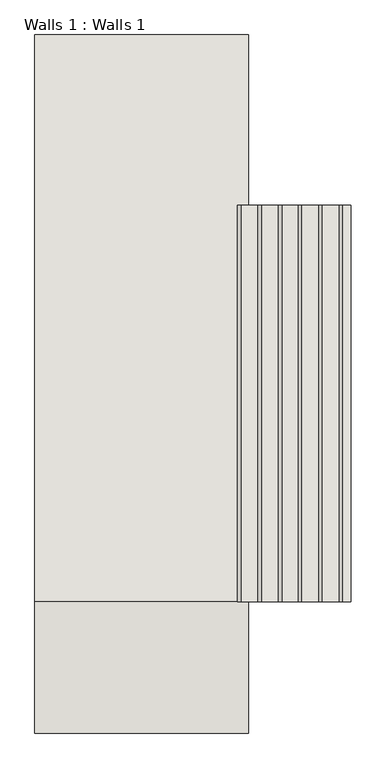
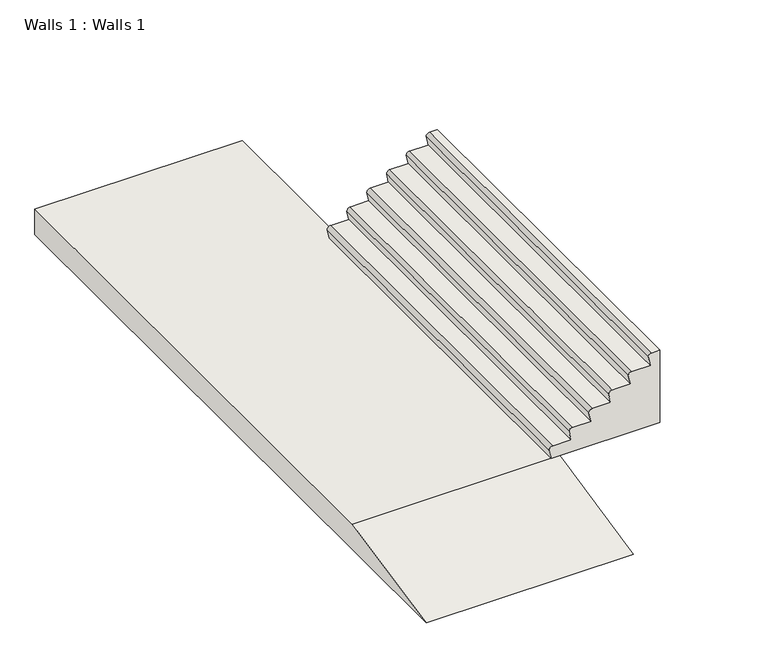
"""IFC4 building model written with IfcOpenShell, lengths in millimetres: wall geometry, Walls 1 : Walls 1."""

import ifcopenshell
import ifcopenshell.guid

model = None  # the IFC model being written
_history = None  # IfcOwnerHistory: only IFC2X3 demands one
_inside = {}  # id of a spatial element -> (the spatial element, [elements in it])
_under = {}  # id of a project, library or spatial element -> (it, [spatial elements below it])
_declared = {}  # id of a project -> (the project, [libraries it declares])
_typed = {}  # id of a type object -> (the type object, [elements of that type])
_made_of = {}  # id of a material, layer set ... -> (it, [elements and type objects made of it])


def new_model(schema):
    """Start an empty IFC model of exactly this schema.

    Asked for "IFC4X3", IfcOpenShell would pick the latest addendum, in which some entities
    have other attributes; the version numbers below select the first issue.
    IFC2X3 requires an IfcOwnerHistory on every rooted entity: one is made here for all.
    """
    global model, _history
    if schema == "IFC4X3":
        model = ifcopenshell.file(schema_version=(4, 3, 0, 0))
    else:
        model = ifcopenshell.file(schema=schema)
    _inside.clear()
    _under.clear()
    _declared.clear()
    _typed.clear()
    _made_of.clear()
    _history = None
    if model.schema == "IFC2X3":
        org = make("IfcOrganization", Name="unknown")
        user = make(
            "IfcPersonAndOrganization",
            ThePerson=make("IfcPerson", FamilyName="unknown"),
            TheOrganization=org,
        )
        app = make(
            "IfcApplication",
            ApplicationDeveloper=org,
            Version="unknown",
            ApplicationFullName="unknown",
            ApplicationIdentifier="unknown",
        )
        _history = make(
            "IfcOwnerHistory",
            OwningUser=user,
            OwningApplication=app,
            ChangeAction="ADDED",
            CreationDate=0,
        )
    return model


def make(cls, **values):
    """One entity of the class cls with the attributes given. An attribute that is None is left unset."""
    return model.create_entity(
        cls, **{name: value for name, value in values.items() if value is not None}
    )


def rooted(cls, **values):
    """An entity with a GlobalId (a new one), such as an element, a storey or a relation."""
    return make(cls, GlobalId=ifcopenshell.guid.new(), OwnerHistory=_history, **values)


def si_unit(unit_type, name, prefix=None):
    """IfcSIUnit, for example si_unit("LENGTHUNIT", "METRE", prefix="MILLI")."""
    return make("IfcSIUnit", UnitType=unit_type, Prefix=prefix, Name=name)


def assignment(units):
    """IfcUnitAssignment: the units of a project."""
    return None if units is None else make("IfcUnitAssignment", Units=units)


def point(xyz):
    """IfcCartesianPoint."""
    return None if xyz is None else make("IfcCartesianPoint", Coordinates=xyz)


def direction(xyz):
    """IfcDirection."""
    return None if xyz is None else make("IfcDirection", DirectionRatios=xyz)


def frame(location, z_axis=None, x_axis=None):
    """IfcAxis2Placement3D, a coordinate frame: its origin and axes. An axis left out is left unset."""
    return make(
        "IfcAxis2Placement3D",
        Location=point(location),
        Axis=direction(z_axis),
        RefDirection=direction(x_axis),
    )


def origin():
    """The frame at (0, 0, 0) with its axes left unset."""
    return frame((0.0, 0.0, 0.0))


def place(relative_to, where):
    """IfcLocalPlacement: puts the frame where relative to a parent placement (None: the world)."""
    return make(
        "IfcLocalPlacement", PlacementRelTo=relative_to, RelativePlacement=where
    )


def context(
    kind, dimensions, precision=None, world=None, true_north=None, identifier=None
):
    """IfcGeometricRepresentationContext, for example the 3D "Model" context."""
    return make(
        "IfcGeometricRepresentationContext",
        ContextIdentifier=identifier,
        ContextType=kind,
        CoordinateSpaceDimension=dimensions,
        Precision=precision,
        WorldCoordinateSystem=world,
        TrueNorth=true_north,
    )


def project(units=None, contexts=None):
    """IfcProject with its units and contexts."""
    return rooted(
        "IfcProject",
        Name="project",
        RepresentationContexts=contexts,
        UnitsInContext=assignment(units),
    )


def spatial(cls, under=None, at=None, **own):
    """A site, building, storey or space (cls), placed at a placement, below another one or the project."""
    s = rooted(cls, ObjectPlacement=at, **own)
    if under is not None:
        _under.setdefault(under.id(), (under, []))[1].append(s)
    return s


def polyline(points):
    """IfcPolyline through the points."""
    return make("IfcPolyline", Points=[point(p) for p in points])


def circle_curve(where, radius):
    """IfcCircle in the frame where."""
    return make("IfcCircle", Position=where, Radius=radius)


def outline(outer, holes=None, kind="AREA"):
    """IfcArbitraryClosedProfileDef: a profile drawn as a closed curve; with holes, ...WithVoids."""
    if holes is None:
        return make("IfcArbitraryClosedProfileDef", ProfileType=kind, OuterCurve=outer)
    return make(
        "IfcArbitraryProfileDefWithVoids",
        ProfileType=kind,
        OuterCurve=outer,
        InnerCurves=holes,
    )


def extrude(swept, where, along, depth):
    """IfcExtrudedAreaSolid: the profile swept, set in the frame where, extruded along a direction by depth."""
    return make(
        "IfcExtrudedAreaSolid",
        SweptArea=swept,
        Position=where,
        ExtrudedDirection=direction(along),
        Depth=depth,
    )


def shape(context_of_items, identifier, shape_type, items):
    """IfcShapeRepresentation: the items that make up one representation, for example the "Body"."""
    return make(
        "IfcShapeRepresentation",
        ContextOfItems=context_of_items,
        RepresentationIdentifier=identifier,
        RepresentationType=shape_type,
        Items=items,
    )


def source(mapping_origin, context_of_items, identifier, shape_type, items):
    """IfcRepresentationMap: a shape defined once, which mapped items show again and again."""
    return make(
        "IfcRepresentationMap",
        MappingOrigin=mapping_origin,
        MappedRepresentation=shape(context_of_items, identifier, shape_type, items),
    )


def transform(
    local_origin,
    x_axis=None,
    y_axis=None,
    z_axis=None,
    scale=None,
    scale2=None,
    scale3=None,
    uniform=True,
):
    """IfcCartesianTransformationOperator3D, or its non-uniform kind. x_axis, y_axis, z_axis: its Axis1, 2, 3."""
    if uniform:
        return make(
            "IfcCartesianTransformationOperator3D",
            Axis1=direction(x_axis),
            Axis2=direction(y_axis),
            LocalOrigin=point(local_origin),
            Scale=scale,
            Axis3=direction(z_axis),
        )
    return make(
        "IfcCartesianTransformationOperator3DnonUniform",
        Axis1=direction(x_axis),
        Axis2=direction(y_axis),
        LocalOrigin=point(local_origin),
        Scale=scale,
        Axis3=direction(z_axis),
        Scale2=scale2,
        Scale3=scale3,
    )


def mapped(mapping_source, mapping_target):
    """IfcMappedItem: shows the shape of a source again, moved by a transform."""
    return make(
        "IfcMappedItem", MappingSource=mapping_source, MappingTarget=mapping_target
    )


def made_of(thing, what):
    """Note that an element or type object is made of a material, layer set ...; save() writes the relation."""
    if what is not None:
        _made_of.setdefault(what.id(), (what, []))[1].append(thing)
    return thing


def element(
    cls,
    number,
    at=None,
    inside=None,
    cuts=None,
    type_object=None,
    material=None,
    context=None,
    identifier="Body",
    shape_type=None,
    held_by="IfcProductDefinitionShape",
    body=None,
    shapes=None,
    **own,
):
    """One element of the class cls, such as IfcWall. Its Tag is "e" and its number.

    at: its placement. inside: the storey or other place that contains it. cuts: it is an
    opening in that element (IfcRelVoidsElement). A single representation is given by context,
    identifier, shape_type and body (its items); several are given by shapes. held_by: the class
    of the entity that holds the representations. save() writes the other relations.
    """
    e = rooted(cls, Tag="e%d" % number, ObjectPlacement=at, **own)
    if body is not None:
        shapes = [shape(context, identifier, shape_type, body)]
    if shapes is not None:
        e.Representation = make(held_by, Representations=shapes)
    if inside is not None:
        _inside.setdefault(inside.id(), (inside, []))[1].append(e)
    if cuts is not None:
        rooted(
            "IfcRelVoidsElement", RelatingBuildingElement=cuts, RelatedOpeningElement=e
        )
    if type_object is not None:
        _typed.setdefault(type_object.id(), (type_object, []))[1].append(e)
    return made_of(e, material)


def aggregate(whole, parts):
    """IfcRelAggregates: a whole, such as a stair, and the parts it consists of."""
    return rooted("IfcRelAggregates", RelatingObject=whole, RelatedObjects=parts)


def save(model, path):
    """Write the relations noted so far, then the file.

    IfcRelAggregates (storeys below a building ...), IfcRelContainedInSpatialStructure (elements
    in a storey), IfcRelDefinesByType, IfcRelAssociatesMaterial and IfcRelDeclares: one each for
    every whole, place, type object, material and project.
    """
    for whole, parts in _under.values():
        aggregate(whole, parts)
    for where, things in _inside.values():
        rooted(
            "IfcRelContainedInSpatialStructure",
            RelatedElements=things,
            RelatingStructure=where,
        )
    for kind, things in _typed.values():
        rooted("IfcRelDefinesByType", RelatedObjects=things, RelatingType=kind)
    for what, things in _made_of.values():
        rooted("IfcRelAssociatesMaterial", RelatedObjects=things, RelatingMaterial=what)
    for by, libraries in _declared.values():
        rooted("IfcRelDeclares", RelatingContext=by, RelatedDefinitions=libraries)
    model.write(path)


def plane_surface(at):
    """IfcPlane: the flat surface through the origin of the frame at, square to its z axis."""
    return make("IfcPlane", Position=at)


def cylinder_surface(at, radius):
    """IfcCylindricalSurface: all points at the distance radius from the z axis of the frame at."""
    return make("IfcCylindricalSurface", Position=at, Radius=radius)


def advanced_brep(points, edges, surfaces, faces):
    """IfcAdvancedBrep: a solid bounded by faces that lie on surfaces and meet in shared edges.

    An edge is (start, end): straight between two places in points (the first is 0);
    or (start, end, curve); or (start, end, curve, False) where it runs against its curve.
    A face is (place in surfaces, loops), or (place, loops, False) where it looks against
    its surface's normal. A loop lists edges by number (the first is 1), with a minus sign
    where the edge is run from its end to its start. The first loop is the outer one.
    """
    corners = [point(p) for p in points]
    vertices = [make("IfcVertexPoint", VertexGeometry=c) for c in corners]
    made = []
    for start, end, *more in edges:
        made.append(
            make(
                "IfcEdgeCurve",
                EdgeStart=vertices[start],
                EdgeEnd=vertices[end],
                EdgeGeometry=more[0] if more else make("IfcPolyline", Points=[corners[start], corners[end]]),
                SameSense=more[1] if len(more) > 1 else True,
            )
        )
    hull = []
    for where, loops, *sense in faces:
        bounds = []
        for j, loop in enumerate(loops):
            ring = [make("IfcOrientedEdge", EdgeElement=made[abs(k) - 1], Orientation=k > 0) for k in loop]
            bounds.append(
                make(
                    "IfcFaceOuterBound" if j == 0 else "IfcFaceBound",
                    Bound=make("IfcEdgeLoop", EdgeList=ring),
                    Orientation=True,
                )
            )
        hull.append(make("IfcAdvancedFace", Bounds=bounds, FaceSurface=surfaces[where], SameSense=sense[0] if sense else True))
    return make("IfcAdvancedBrep", Outer=make("IfcClosedShell", CfsFaces=hull))


def walls_1_walls_1_b9670712(model_context):
    return source(origin(), model_context, "Body", "SolidModel", [
        advanced_brep(
        [(79596.1829987, -34152.654403, 67609.8888889), (79571.1829987, -34152.654403, 67734.4444444), (79616.1829987, -34152.654403, 67779.4444444), (79858.8116061, -34152.654403, 67779.4444444), (79844.8508568, -34152.654403, 67849.0), (79833.8116061, -34152.654403, 67904.0), (79878.8116061, -34152.654403, 67949.0), (79983.8116061, -34152.654403, 67949.0), (79983.8116061, -34152.654403, 67849.0), (79983.8116061, -34152.654403, 66931.6666667), (78545.6685692, -34152.654403, 66931.6666667), (78520.6685692, -34152.654403, 67056.2222222), (78565.6685692, -34152.654403, 67101.2222222), (78808.2971765, -34152.654403, 67101.2222222), (78783.2971765, -34152.654403, 67225.7777778), (78828.2971765, -34152.654403, 67270.7777778), (79070.9257839, -34152.654403, 67270.7777778), (79045.9257839, -34152.654403, 67395.3333333), (79090.9257839, -34152.654403, 67440.3333333), (79333.5543913, -34152.654403, 67440.3333333), (79308.5543913, -34152.654403, 67564.8888889), (79353.5543913, -34152.654403, 67609.8888889), (79596.1829987, -39252.654403, 67609.8888889), (79353.5543913, -39252.654403, 67609.8888889), (79308.5543913, -39252.654403, 67564.8888889), (79333.5543913, -39252.654403, 67440.3333333), (79090.9257839, -39252.654403, 67440.3333333), (79045.9257839, -39252.654403, 67395.3333333), (79070.9257839, -39252.654403, 67270.7777778), (78828.2971765, -39252.654403, 67270.7777778), (78783.2971765, -39252.654403, 67225.7777778), (78808.2971765, -39252.654403, 67101.2222222), (78565.6685692, -39252.654403, 67101.2222222), (78520.6685692, -39252.654403, 67056.2222222), (78545.6685692, -39252.654403, 66931.6666667), (79983.8116061, -39252.654403, 66931.6666667), (79983.8116061, -39252.654403, 67849.0), (79983.8116061, -39252.654403, 67949.0), (79878.8116061, -39252.654403, 67949.0), (79833.8116061, -39252.654403, 67904.0), (79844.8508568, -39252.654403, 67849.0), (79858.8116061, -39252.654403, 67779.4444444), (79616.1829987, -39252.654403, 67779.4444444), (79571.1829987, -39252.654403, 67734.4444444)],
        [
            (0, 1),
            (1, 2, circle_curve(frame((79616.1829987, -34152.654403, 67734.4444444), z_axis=(0.0, 1.0, 0.0), x_axis=(-1.0, 0.0, 0.0)), 45.0)),
            (2, 3),
            (3, 4),
            (4, 5),
            (5, 6, circle_curve(frame((79878.8116061, -34152.654403, 67904.0), z_axis=(0.0, 1.0, 0.0), x_axis=(-1.0, 0.0, 0.0)), 45.0)),
            (6, 7),
            (7, 8),
            (8, 9),
            (9, 10),
            (10, 11),
            (11, 12, circle_curve(frame((78565.6685692, -34152.654403, 67056.2222222), z_axis=(0.0, 1.0, 0.0), x_axis=(-1.0, 0.0, 0.0)), 45.0)),
            (12, 13),
            (13, 14),
            (14, 15, circle_curve(frame((78828.2971765, -34152.654403, 67225.7777778), z_axis=(0.0, 1.0, 0.0), x_axis=(-1.0, 0.0, 0.0)), 45.0)),
            (15, 16),
            (16, 17),
            (17, 18, circle_curve(frame((79090.9257839, -34152.654403, 67395.3333333), z_axis=(0.0, 1.0, 0.0), x_axis=(-1.0, 0.0, 0.0)), 45.0)),
            (18, 19),
            (19, 20),
            (20, 21, circle_curve(frame((79353.5543913, -34152.654403, 67564.8888889), z_axis=(0.0, 1.0, 0.0), x_axis=(-1.0, 0.0, 0.0)), 45.0)),
            (21, 0),
            (22, 23),
            (23, 24, circle_curve(frame((79353.5543913, -39252.654403, 67564.8888889), z_axis=(0.0, -1.0, 0.0), x_axis=(-1.0, 0.0, 0.0)), 45.0)),
            (24, 25),
            (25, 26),
            (26, 27, circle_curve(frame((79090.9257839, -39252.654403, 67395.3333333), z_axis=(0.0, -1.0, 0.0), x_axis=(-1.0, 0.0, 0.0)), 45.0)),
            (27, 28),
            (28, 29),
            (29, 30, circle_curve(frame((78828.2971765, -39252.654403, 67225.7777778), z_axis=(0.0, -1.0, 0.0), x_axis=(-1.0, 0.0, 0.0)), 45.0)),
            (30, 31),
            (31, 32),
            (32, 33, circle_curve(frame((78565.6685692, -39252.654403, 67056.2222222), z_axis=(0.0, -1.0, 0.0), x_axis=(-1.0, 0.0, 0.0)), 45.0)),
            (33, 34),
            (34, 35),
            (35, 36),
            (36, 37),
            (37, 38),
            (38, 39, circle_curve(frame((79878.8116061, -39252.654403, 67904.0), z_axis=(0.0, -1.0, 0.0), x_axis=(-1.0, 0.0, 0.0)), 45.0)),
            (39, 40),
            (40, 41),
            (41, 42),
            (42, 43, circle_curve(frame((79616.1829987, -39252.654403, 67734.4444444), z_axis=(0.0, -1.0, 0.0), x_axis=(-1.0, 0.0, 0.0)), 45.0)),
            (43, 22),
            (9, 35),
            (34, 10),
            (21, 23),
            (22, 0),
            (2, 42),
            (41, 3),
            (39, 5),
            (6, 38),
            (37, 7),
            (43, 1),
            (33, 11),
            (32, 12),
            (31, 13),
            (30, 14),
            (29, 15),
            (28, 16),
            (27, 17),
            (26, 18),
            (25, 19),
            (24, 20),
        ],
        [
            plane_surface(frame((79793.7567459, -34152.654403, 66625.5325751), z_axis=(0.0, 1.0000000000000002, 0.0), x_axis=(-0.19678887144464363, 0.0, 0.9804458883974901))),
            plane_surface(frame((79793.7567459, -39252.654403, 66625.5325751), z_axis=(0.0, -1.0000000000000002, 0.0), x_axis=(0.19678887144464363, 0.0, -0.9804458883974901))),
            plane_surface(frame((79983.8116061, -34152.654403, 66931.6666667), z_axis=(0.0, 0.0, -1.0), x_axis=(0.0, -1.0, 0.0))),
            plane_surface(frame((79353.5543913, -34152.654403, 67609.8888889), z_axis=(0.0, 0.0, 1.0), x_axis=(0.0, -1.0, 0.0))),
            plane_surface(frame((79616.1829987, -34152.654403, 67779.4444444), z_axis=(0.0, 0.0, 1.0), x_axis=(0.0, -1.0, 0.0))),
            plane_surface(frame((79858.8116061, -34152.654403, 67779.4444444), z_axis=(-0.9804458883974875, 0.0, -0.1967888714446568), x_axis=(0.0, -1.0, 0.0))),
            plane_surface(frame((79878.8116061, -34152.654403, 67949.0), z_axis=(0.0, 0.0, 1.0), x_axis=(0.0, -1.0, 0.0))),
            plane_surface(frame((79983.8116061, -34152.654403, 67949.0), z_axis=(1.0, 0.0, 0.0), x_axis=(0.0, -1.0, 0.0))),
            plane_surface(frame((79596.1829987, -34152.654403, 67609.8888889), z_axis=(-0.9804458883974901, 0.0, -0.19678887144464363), x_axis=(0.0, -1.0, 0.0))),
            cylinder_surface(frame((79616.1829987, -39252.654403, 67734.4444444), z_axis=(0.0, 1.0, 0.0), x_axis=(-1.0, 0.0, 0.0)), 45.0),
            cylinder_surface(frame((79878.8116061, -39252.654403, 67904.0), z_axis=(0.0, 1.0, 0.0), x_axis=(-1.0, 0.0, 0.0)), 45.0),
            plane_surface(frame((78545.6685692, -34152.654403, 66931.6666667), z_axis=(-0.9804458883974927, 0.0, -0.19678887144463048), x_axis=(0.0, -1.0, 0.0))),
            cylinder_surface(frame((78565.6685692, -39252.654403, 67056.2222222), z_axis=(0.0, 1.0, 0.0), x_axis=(-1.0, 0.0, 0.0)), 45.0),
            plane_surface(frame((78565.6685692, -34152.654403, 67101.2222222), z_axis=(0.0, 0.0, 1.0), x_axis=(0.0, -1.0, 0.0))),
            plane_surface(frame((78808.2971765, -34152.654403, 67101.2222222), z_axis=(-0.9804458883974901, 0.0, -0.19678887144464363), x_axis=(0.0, -1.0, 0.0))),
            cylinder_surface(frame((78828.2971765, -39252.654403, 67225.7777778), z_axis=(0.0, 1.0, 0.0), x_axis=(-1.0, 0.0, 0.0)), 45.0),
            plane_surface(frame((78828.2971765, -34152.654403, 67270.7777778), z_axis=(0.0, 0.0, 1.0), x_axis=(0.0, -1.0, 0.0))),
            plane_surface(frame((79070.9257839, -34152.654403, 67270.7777778), z_axis=(-0.9804458883974901, 0.0, -0.19678887144464363), x_axis=(0.0, -1.0, 0.0))),
            cylinder_surface(frame((79090.9257839, -39252.654403, 67395.3333333), z_axis=(0.0, 1.0, 0.0), x_axis=(-1.0, 0.0, 0.0)), 45.0),
            plane_surface(frame((79090.9257839, -34152.654403, 67440.3333333), z_axis=(0.0, 0.0, 1.0), x_axis=(0.0, -1.0, 0.0))),
            plane_surface(frame((79333.5543913, -34152.654403, 67440.3333333), z_axis=(-0.9804458883974901, 0.0, -0.19678887144464363), x_axis=(0.0, -1.0, 0.0))),
            cylinder_surface(frame((79353.5543913, -39252.654403, 67564.8888889), z_axis=(0.0, 1.0, 0.0), x_axis=(-1.0, 0.0, 0.0)), 45.0),
        ],
        [
            (0, [[1, 2, 3, 4, 5, 6, 7, 8, 9, 10, 11, 12, 13, 14, 15, 16, 17, 18, 19, 20, 21, 22]]),
            (1, [[23, 24, 25, 26, 27, 28, 29, 30, 31, 32, 33, 34, 35, 36, 37, 38, 39, 40, 41, 42, 43, 44]]),
            (2, [[-10, 45, -35, 46]]),
            (3, [[-22, 47, -23, 48]]),
            (4, [[-3, 49, -42, 50]]),
            (5, [[-5, -4, -50, -41, -40, 51]]),
            (6, [[-7, 52, -38, 53]]),
            (7, [[-9, -8, -53, -37, -36, -45]]),
            (8, [[-1, -48, -44, 54]]),
            (9, [[-2, -54, -43, -49]]),
            (10, [[-6, -51, -39, -52]]),
            (11, [[-11, -46, -34, 55]]),
            (12, [[-12, -55, -33, 56]]),
            (13, [[-13, -56, -32, 57]]),
            (14, [[-14, -57, -31, 58]]),
            (15, [[-15, -58, -30, 59]]),
            (16, [[-16, -59, -29, 60]]),
            (17, [[-17, -60, -28, 61]]),
            (18, [[-18, -61, -27, 62]]),
            (19, [[-19, -62, -26, 63]]),
            (20, [[-20, -63, -25, 64]]),
            (21, [[-21, -64, -24, -47]]),
        ],
    ),
        extrude(outline(polyline([(-40942.1280872, 66575.0), (-39252.654403, 66931.6666667), (-31959.1648945, 66931.6666667), (-31959.1648945, 66575.0), (-40942.1280872, 66575.0)])), frame((75911.7073258, 0.0, 0.0), z_axis=(1.0, 0.0, 0.0), x_axis=(0.0, 1.0, 0.0)), (0.0, 0.0, 1.0), 2748.9612433),
    ])


if __name__ == "__main__":
    model = new_model("IFC4")
    model_context = context("Model", 3, world=origin())
    ifc_project = project(units=[si_unit("LENGTHUNIT", "METRE", prefix="MILLI")], contexts=[model_context])
    site = spatial("IfcSite", under=ifc_project)
    building = spatial("IfcBuilding", under=site)
    placement = place(None, origin())
    walls_1_walls_1_shape = walls_1_walls_1_b9670712(model_context)
    element("IfcWall", 1, ObjectType="Walls 1 : Walls 1", at=placement, inside=building, context=model_context, shape_type="MappedRepresentation", body=[
        mapped(walls_1_walls_1_shape, transform((0.0, 0.0, 0.0), x_axis=(1.0, 0.0, 0.0), y_axis=(0.0, 1.0, 0.0), z_axis=(0.0, 0.0, 1.0))),
    ])
    save(model, "model.ifc")
